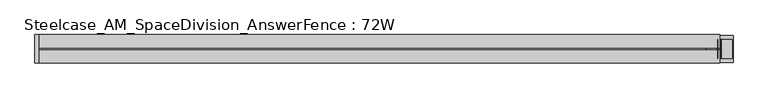
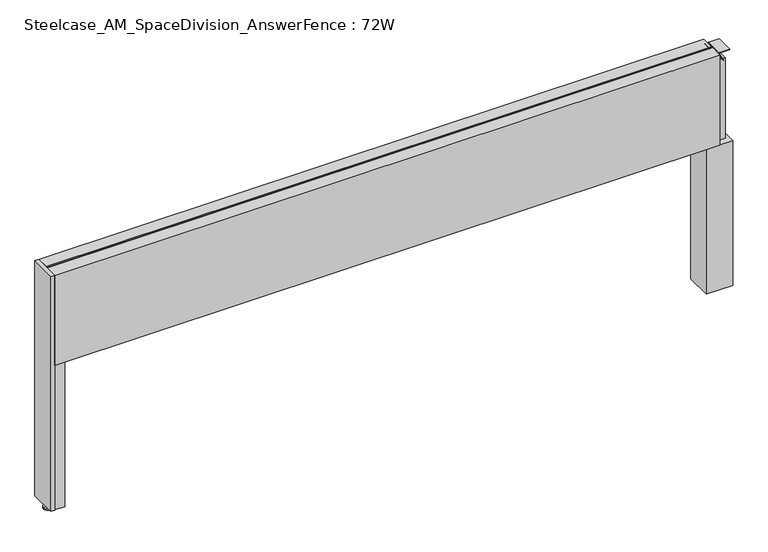
"""IFC4 building model written with IfcOpenShell, lengths in millimetres: furniture geometry, Steelcase_AM_SpaceDivision_AnswerFence : 72W."""

import ifcopenshell
import ifcopenshell.guid

model = None  # the IFC model being written
_history = None  # IfcOwnerHistory: only IFC2X3 demands one
_inside = {}  # id of a spatial element -> (the spatial element, [elements in it])
_under = {}  # id of a project, library or spatial element -> (it, [spatial elements below it])
_declared = {}  # id of a project -> (the project, [libraries it declares])
_typed = {}  # id of a type object -> (the type object, [elements of that type])
_made_of = {}  # id of a material, layer set ... -> (it, [elements and type objects made of it])


def new_model(schema):
    """Start an empty IFC model of exactly this schema.

    Asked for "IFC4X3", IfcOpenShell would pick the latest addendum, in which some entities
    have other attributes; the version numbers below select the first issue.
    IFC2X3 requires an IfcOwnerHistory on every rooted entity: one is made here for all.
    """
    global model, _history
    if schema == "IFC4X3":
        model = ifcopenshell.file(schema_version=(4, 3, 0, 0))
    else:
        model = ifcopenshell.file(schema=schema)
    _inside.clear()
    _under.clear()
    _declared.clear()
    _typed.clear()
    _made_of.clear()
    _history = None
    if model.schema == "IFC2X3":
        org = make("IfcOrganization", Name="unknown")
        user = make(
            "IfcPersonAndOrganization",
            ThePerson=make("IfcPerson", FamilyName="unknown"),
            TheOrganization=org,
        )
        app = make(
            "IfcApplication",
            ApplicationDeveloper=org,
            Version="unknown",
            ApplicationFullName="unknown",
            ApplicationIdentifier="unknown",
        )
        _history = make(
            "IfcOwnerHistory",
            OwningUser=user,
            OwningApplication=app,
            ChangeAction="ADDED",
            CreationDate=0,
        )
    return model


def make(cls, **values):
    """One entity of the class cls with the attributes given. An attribute that is None is left unset."""
    return model.create_entity(
        cls, **{name: value for name, value in values.items() if value is not None}
    )


def rooted(cls, **values):
    """An entity with a GlobalId (a new one), such as an element, a storey or a relation."""
    return make(cls, GlobalId=ifcopenshell.guid.new(), OwnerHistory=_history, **values)


def si_unit(unit_type, name, prefix=None):
    """IfcSIUnit, for example si_unit("LENGTHUNIT", "METRE", prefix="MILLI")."""
    return make("IfcSIUnit", UnitType=unit_type, Prefix=prefix, Name=name)


def assignment(units):
    """IfcUnitAssignment: the units of a project."""
    return None if units is None else make("IfcUnitAssignment", Units=units)


def point(xyz):
    """IfcCartesianPoint."""
    return None if xyz is None else make("IfcCartesianPoint", Coordinates=xyz)


def direction(xyz):
    """IfcDirection."""
    return None if xyz is None else make("IfcDirection", DirectionRatios=xyz)


def frame(location, z_axis=None, x_axis=None):
    """IfcAxis2Placement3D, a coordinate frame: its origin and axes. An axis left out is left unset."""
    return make(
        "IfcAxis2Placement3D",
        Location=point(location),
        Axis=direction(z_axis),
        RefDirection=direction(x_axis),
    )


def frame_2d(location, x_axis=None):
    """IfcAxis2Placement2D, a coordinate frame in the plane: its origin and x axis."""
    return make(
        "IfcAxis2Placement2D", Location=point(location), RefDirection=direction(x_axis)
    )


def origin():
    """The frame at (0, 0, 0) with its axes left unset."""
    return frame((0.0, 0.0, 0.0))


def place(relative_to, where):
    """IfcLocalPlacement: puts the frame where relative to a parent placement (None: the world)."""
    return make(
        "IfcLocalPlacement", PlacementRelTo=relative_to, RelativePlacement=where
    )


def context(
    kind, dimensions, precision=None, world=None, true_north=None, identifier=None
):
    """IfcGeometricRepresentationContext, for example the 3D "Model" context."""
    return make(
        "IfcGeometricRepresentationContext",
        ContextIdentifier=identifier,
        ContextType=kind,
        CoordinateSpaceDimension=dimensions,
        Precision=precision,
        WorldCoordinateSystem=world,
        TrueNorth=true_north,
    )


def project(units=None, contexts=None):
    """IfcProject with its units and contexts."""
    return rooted(
        "IfcProject",
        Name="project",
        RepresentationContexts=contexts,
        UnitsInContext=assignment(units),
    )


def spatial(cls, under=None, at=None, **own):
    """A site, building, storey or space (cls), placed at a placement, below another one or the project."""
    s = rooted(cls, ObjectPlacement=at, **own)
    if under is not None:
        _under.setdefault(under.id(), (under, []))[1].append(s)
    return s


def polyline(points):
    """IfcPolyline through the points."""
    return make("IfcPolyline", Points=[point(p) for p in points])


def circle_curve(where, radius):
    """IfcCircle in the frame where."""
    return make("IfcCircle", Position=where, Radius=radius)


def trimmed(basis, trim1, trim2, sense, master):
    """IfcTrimmedCurve: the piece of a basis curve between two trims."""
    return make(
        "IfcTrimmedCurve",
        BasisCurve=basis,
        Trim1=trim1,
        Trim2=trim2,
        SenseAgreement=sense,
        MasterRepresentation=master,
    )


def segment(curve, same_sense, transition):
    """IfcCompositeCurveSegment."""
    return make(
        "IfcCompositeCurveSegment",
        Transition=transition,
        SameSense=same_sense,
        ParentCurve=curve,
    )


def composite_curve(segments, self_intersect=None):
    """IfcCompositeCurve: segments joined end to end."""
    return make("IfcCompositeCurve", Segments=segments, SelfIntersect=self_intersect)


def outline(outer, holes=None, kind="AREA"):
    """IfcArbitraryClosedProfileDef: a profile drawn as a closed curve; with holes, ...WithVoids."""
    if holes is None:
        return make("IfcArbitraryClosedProfileDef", ProfileType=kind, OuterCurve=outer)
    return make(
        "IfcArbitraryProfileDefWithVoids",
        ProfileType=kind,
        OuterCurve=outer,
        InnerCurves=holes,
    )


def extrude(swept, where, along, depth):
    """IfcExtrudedAreaSolid: the profile swept, set in the frame where, extruded along a direction by depth."""
    return make(
        "IfcExtrudedAreaSolid",
        SweptArea=swept,
        Position=where,
        ExtrudedDirection=direction(along),
        Depth=depth,
    )


def shape(context_of_items, identifier, shape_type, items):
    """IfcShapeRepresentation: the items that make up one representation, for example the "Body"."""
    return make(
        "IfcShapeRepresentation",
        ContextOfItems=context_of_items,
        RepresentationIdentifier=identifier,
        RepresentationType=shape_type,
        Items=items,
    )


def source(mapping_origin, context_of_items, identifier, shape_type, items):
    """IfcRepresentationMap: a shape defined once, which mapped items show again and again."""
    return make(
        "IfcRepresentationMap",
        MappingOrigin=mapping_origin,
        MappedRepresentation=shape(context_of_items, identifier, shape_type, items),
    )


def transform(
    local_origin,
    x_axis=None,
    y_axis=None,
    z_axis=None,
    scale=None,
    scale2=None,
    scale3=None,
    uniform=True,
):
    """IfcCartesianTransformationOperator3D, or its non-uniform kind. x_axis, y_axis, z_axis: its Axis1, 2, 3."""
    if uniform:
        return make(
            "IfcCartesianTransformationOperator3D",
            Axis1=direction(x_axis),
            Axis2=direction(y_axis),
            LocalOrigin=point(local_origin),
            Scale=scale,
            Axis3=direction(z_axis),
        )
    return make(
        "IfcCartesianTransformationOperator3DnonUniform",
        Axis1=direction(x_axis),
        Axis2=direction(y_axis),
        LocalOrigin=point(local_origin),
        Scale=scale,
        Axis3=direction(z_axis),
        Scale2=scale2,
        Scale3=scale3,
    )


def mapped(mapping_source, mapping_target):
    """IfcMappedItem: shows the shape of a source again, moved by a transform."""
    return make(
        "IfcMappedItem", MappingSource=mapping_source, MappingTarget=mapping_target
    )


def made_of(thing, what):
    """Note that an element or type object is made of a material, layer set ...; save() writes the relation."""
    if what is not None:
        _made_of.setdefault(what.id(), (what, []))[1].append(thing)
    return thing


def element(
    cls,
    number,
    at=None,
    inside=None,
    cuts=None,
    type_object=None,
    material=None,
    context=None,
    identifier="Body",
    shape_type=None,
    held_by="IfcProductDefinitionShape",
    body=None,
    shapes=None,
    **own,
):
    """One element of the class cls, such as IfcWall. Its Tag is "e" and its number.

    at: its placement. inside: the storey or other place that contains it. cuts: it is an
    opening in that element (IfcRelVoidsElement). A single representation is given by context,
    identifier, shape_type and body (its items); several are given by shapes. held_by: the class
    of the entity that holds the representations. save() writes the other relations.
    """
    e = rooted(cls, Tag="e%d" % number, ObjectPlacement=at, **own)
    if body is not None:
        shapes = [shape(context, identifier, shape_type, body)]
    if shapes is not None:
        e.Representation = make(held_by, Representations=shapes)
    if inside is not None:
        _inside.setdefault(inside.id(), (inside, []))[1].append(e)
    if cuts is not None:
        rooted(
            "IfcRelVoidsElement", RelatingBuildingElement=cuts, RelatedOpeningElement=e
        )
    if type_object is not None:
        _typed.setdefault(type_object.id(), (type_object, []))[1].append(e)
    return made_of(e, material)


def aggregate(whole, parts):
    """IfcRelAggregates: a whole, such as a stair, and the parts it consists of."""
    return rooted("IfcRelAggregates", RelatingObject=whole, RelatedObjects=parts)


def save(model, path):
    """Write the relations noted so far, then the file.

    IfcRelAggregates (storeys below a building ...), IfcRelContainedInSpatialStructure (elements
    in a storey), IfcRelDefinesByType, IfcRelAssociatesMaterial and IfcRelDeclares: one each for
    every whole, place, type object, material and project.
    """
    for whole, parts in _under.values():
        aggregate(whole, parts)
    for where, things in _inside.values():
        rooted(
            "IfcRelContainedInSpatialStructure",
            RelatedElements=things,
            RelatingStructure=where,
        )
    for kind, things in _typed.values():
        rooted("IfcRelDefinesByType", RelatedObjects=things, RelatingType=kind)
    for what, things in _made_of.values():
        rooted("IfcRelAssociatesMaterial", RelatedObjects=things, RelatingMaterial=what)
    for by, libraries in _declared.values():
        rooted("IfcRelDeclares", RelatingContext=by, RelatedDefinitions=libraries)
    model.write(path)


def plane_surface(at):
    """IfcPlane: the flat surface through the origin of the frame at, square to its z axis."""
    return make("IfcPlane", Position=at)


def cylinder_surface(at, radius):
    """IfcCylindricalSurface: all points at the distance radius from the z axis of the frame at."""
    return make("IfcCylindricalSurface", Position=at, Radius=radius)


def revolved_surface(curve, axis_point, axis_direction):
    """IfcSurfaceOfRevolution: the curve turned about the line through axis_point along axis_direction."""
    return make(
        "IfcSurfaceOfRevolution",
        SweptCurve=make("IfcArbitraryOpenProfileDef", ProfileType="CURVE", Curve=curve),
        AxisPosition=make("IfcAxis1Placement", Location=point(axis_point), Axis=direction(axis_direction)),
    )


def advanced_brep(points, edges, surfaces, faces):
    """IfcAdvancedBrep: a solid bounded by faces that lie on surfaces and meet in shared edges.

    An edge is (start, end): straight between two places in points (the first is 0);
    or (start, end, curve); or (start, end, curve, False) where it runs against its curve.
    A face is (place in surfaces, loops), or (place, loops, False) where it looks against
    its surface's normal. A loop lists edges by number (the first is 1), with a minus sign
    where the edge is run from its end to its start. The first loop is the outer one.
    """
    corners = [point(p) for p in points]
    vertices = [make("IfcVertexPoint", VertexGeometry=c) for c in corners]
    made = []
    for start, end, *more in edges:
        made.append(
            make(
                "IfcEdgeCurve",
                EdgeStart=vertices[start],
                EdgeEnd=vertices[end],
                EdgeGeometry=more[0] if more else make("IfcPolyline", Points=[corners[start], corners[end]]),
                SameSense=more[1] if len(more) > 1 else True,
            )
        )
    hull = []
    for where, loops, *sense in faces:
        bounds = []
        for j, loop in enumerate(loops):
            ring = [make("IfcOrientedEdge", EdgeElement=made[abs(k) - 1], Orientation=k > 0) for k in loop]
            bounds.append(
                make(
                    "IfcFaceOuterBound" if j == 0 else "IfcFaceBound",
                    Bound=make("IfcEdgeLoop", EdgeList=ring),
                    Orientation=True,
                )
            )
        hull.append(make("IfcAdvancedFace", Bounds=bounds, FaceSurface=surfaces[where], SameSense=sense[0] if sense else True))
    return make("IfcAdvancedBrep", Outer=make("IfcClosedShell", CfsFaces=hull))


def steelcase_am_spacedivision_answerfence_72w_683bb32d(model_context):
    return source(origin(), model_context, "Body", "SolidModel", [
        extrude(outline(polyline([(1825.0153999, 28.9756526), (1825.0153999, -43.7191471), (1752.3206001, -43.7191471), (1752.3206001, 28.9756526), (1825.0153999, 28.9756526)])), frame((0.0, 0.0, 15.4939671), z_axis=(0.0, 0.0, 1.0), x_axis=(1.0, 0.0, 0.0)), (0.0, 0.0, 1.0), 420.9763759),
        extrude(outline(composite_curve([segment(polyline([(694.8271015, 1753.5942703), (694.8271015, 1782.4823183)]), True, "CONTINUOUS"), segment(trimmed(circle_curve(frame_2d((693.8373834, 1782.4823183)), 0.9897181), [point((694.8271015, 1782.4823183))], [point((693.3575585, 1783.3479452))], True, "CARTESIAN"), True, "CONTINUOUS"), segment(polyline([(693.3575585, 1783.3479452), (670.7684479, 1770.8265967), (670.3405135, 1771.5983685), (693.0018984, 1784.1637221)]), True, "CONTINUOUS"), segment(trimmed(circle_curve(frame_2d((693.8919079, 1782.5586063)), 1.8353511), [point((693.0018984, 1784.1637221))], [point((695.7272589, 1782.5586063))], False, "CARTESIAN"), True, "CONTINUOUS"), segment(polyline([(695.7272589, 1782.5586063), (695.7272589, 1753.5942703), (694.8271015, 1753.5942703)]), True, "CONTINUOUS")], self_intersect=False)), frame((0.0, -33.0896971, 0.0), z_axis=(0.0, 1.0, 0.0), x_axis=(0.0, 0.0, 1.0)), (0.0, 0.0, 1.0), 50.8000666),
        extrude(outline(composite_curve([segment(polyline([(694.8271015, 1823.3448547), (695.7272589, 1823.3448547), (695.7272589, 1794.3805187)]), True, "CONTINUOUS"), segment(trimmed(circle_curve(frame_2d((693.8919079, 1794.3805187)), 1.8353511), [point((695.7272589, 1794.3805187))], [point((693.0018984, 1792.7754029))], False, "CARTESIAN"), True, "CONTINUOUS"), segment(polyline([(693.0018984, 1792.7754029), (670.3405135, 1805.3407565), (670.7684479, 1806.1125283), (693.3575585, 1793.5911798)]), True, "CONTINUOUS"), segment(trimmed(circle_curve(frame_2d((693.8373834, 1794.4568067)), 0.9897181), [point((693.3575585, 1793.5911798))], [point((694.8271015, 1794.4568067))], True, "CARTESIAN"), True, "CONTINUOUS"), segment(polyline([(694.8271015, 1794.4568067), (694.8271015, 1823.3448547)]), True, "CONTINUOUS")], self_intersect=False)), frame((0.0, -33.0896971, 0.0), z_axis=(0.0, 1.0, 0.0), x_axis=(0.0, 0.0, 1.0)), (0.0, 0.0, 1.0), 50.8000666),
        extrude(outline(polyline([(1813.9938496, 11.3543833), (1813.9938496, -26.7337081), (1763.1938496, -26.7337081), (1763.1938496, 11.3543833), (1813.9938496, 11.3543833)])), frame((0.0, 0.0, 436.470343), z_axis=(0.0, 0.0, 1.0), x_axis=(1.0, 0.0, 0.0)), (0.0, 0.0, 1.0), 233.7346385),
        advanced_brep(
        [(-47.4460299, -7.4168014, -3.29e-05), (-21.9950726, -7.4168014, -3.29e-05), (-34.7205512, -7.4168014, -3.29e-05), (-47.4460299, -7.4168014, 2.446593), (-21.9950726, -7.4168014, 2.446593), (-39.6754775, -7.4168014, 4.8561413), (-29.765625, -7.4168014, 4.8561413), (-38.5932872, -7.4168014, 4.8561413), (-30.8478153, -7.4168014, 4.8561413), (-38.5932872, -7.4168014, 15.4939671), (-30.8478153, -7.4168014, 15.4939671), (-34.7205512, -7.4168014, 15.4939671)],
        [
            (0, 1, circle_curve(frame((-34.7205512, -7.4168014, -3.29e-05), z_axis=(0.0, 0.0, -1.0), x_axis=(1.0, 0.0, 0.0)), 12.7254787)),
            (1, 2),
            (2, 0),
            (1, 0, circle_curve(frame((-34.7205512, -7.4168014, -3.29e-05), z_axis=(0.0, 0.0, -1.0), x_axis=(1.0, 0.0, 0.0)), 12.7254787)),
            (3, 4, circle_curve(frame((-34.7205512, -7.4168014, 2.446593), z_axis=(0.0, 0.0, -1.0), x_axis=(1.0, 0.0, 0.0)), 12.7254787)),
            (4, 1),
            (0, 3),
            (4, 3, circle_curve(frame((-34.7205512, -7.4168014, 2.446593), z_axis=(0.0, 0.0, -1.0), x_axis=(1.0, 0.0, 0.0)), 12.7254787)),
            (5, 6, circle_curve(frame((-34.7205512, -7.4168014, 4.8561413), z_axis=(0.0, 0.0, -1.0), x_axis=(1.0, 0.0, 0.0)), 4.9549262)),
            (6, 4),
            (3, 5),
            (6, 5, circle_curve(frame((-34.7205512, -7.4168014, 4.8561413), z_axis=(0.0, 0.0, -1.0), x_axis=(1.0, 0.0, 0.0)), 4.9549262)),
            (7, 8, circle_curve(frame((-34.7205512, -7.4168014, 4.8561413), z_axis=(0.0, 0.0, -1.0), x_axis=(1.0, 0.0, 0.0)), 3.8727359)),
            (8, 6),
            (5, 7),
            (8, 7, circle_curve(frame((-34.7205512, -7.4168014, 4.8561413), z_axis=(0.0, 0.0, -1.0), x_axis=(1.0, 0.0, 0.0)), 3.8727359)),
            (9, 10, circle_curve(frame((-34.7205512, -7.4168014, 15.4939671), z_axis=(0.0, 0.0, -1.0), x_axis=(1.0, 0.0, 0.0)), 3.8727359)),
            (10, 8),
            (7, 9),
            (10, 9, circle_curve(frame((-34.7205512, -7.4168014, 15.4939671), z_axis=(0.0, 0.0, -1.0), x_axis=(1.0, 0.0, 0.0)), 3.8727359)),
            (11, 10),
            (9, 11),
        ],
        [
            plane_surface(frame((-34.7205512, -7.4168014, -3.29e-05), z_axis=(0.0, 0.0, -1.0), x_axis=(1.0, 0.0, 0.0))),
            cylinder_surface(frame((-34.7205512, -7.4168014, -1.135133), z_axis=(0.0, 0.0, 1.0), x_axis=(1.0, 0.0, 0.0)), 12.7254787),
            revolved_surface(polyline([(-21.9950726, -7.4168014, 2.446593), (-29.765625, -7.4168014, 4.8561413)]), (-34.7205512, -7.4168014, -1.135133), (0.0, 0.0, 1.0)),
            plane_surface(frame((-34.7205512, -7.4168014, 4.8561413), z_axis=(0.0, 0.0, 1.0), x_axis=(1.0, 0.0, 0.0))),
            cylinder_surface(frame((-34.7205512, -7.4168014, -1.135133), z_axis=(0.0, 0.0, 1.0), x_axis=(1.0, 0.0, 0.0)), 3.8727359),
            plane_surface(frame((-34.7205512, -7.4168014, 15.4939671), z_axis=(0.0, 0.0, 1.0), x_axis=(1.0, 0.0, 0.0))),
        ],
        [
            (0, [[1, 2, 3]]),
            (0, [[4, -3, -2]]),
            (1, [[5, 6, -1, 7]]),
            (1, [[8, -7, -4, -6]]),
            (2, [[9, 10, -5, 11]]),
            (2, [[12, -11, -8, -10]]),
            (3, [[13, 14, -9, 15]]),
            (3, [[16, -15, -12, -14]]),
            (4, [[17, 18, -13, 19]]),
            (4, [[20, -19, -16, -18]]),
            (5, [[21, -17, 22]]),
            (5, [[-22, -20, -21]]),
        ],
    ),
        extrude(outline(polyline([(-9.935178, -43.8092555), (-38.0832543, -43.8092555), (-38.0832543, -32.7724836), (-20.8608215, -32.7724836), (-20.8608215, 18.0275164), (-38.0701573, 18.0275164), (-38.0701573, 28.8855443), (-9.935178, 28.8855443), (-9.935178, -43.8092555)])), frame((0.0, 0.0, 15.4939671), z_axis=(0.0, 0.0, 1.0), x_axis=(1.0, 0.0, 0.0)), (0.0, 0.0, 1.0), 420.9763759),
        extrude(outline(polyline([(-48.2664464, -45.5635028), (-48.2664464, 30.7299), (-38.1, 30.7299), (-38.1, -45.5635028), (-48.2664464, -45.5635028)])), frame((0.0, 0.0, 15.4939671), z_axis=(0.0, 0.0, 1.0), x_axis=(1.0, 0.0, 0.0)), (0.0, 0.0, 1.0), 683.006),
        extrude(outline(polyline([(30.6507456, 698.5), (30.6507456, 436.470343), (-45.5168014, 436.470343), (-45.5168014, 698.5), (-10.7419756, 698.5), (-10.7419756, 695.721875), (-4.4428302, 695.721875), (-4.4428302, 698.5), (30.6507456, 698.5)])), frame((-38.1, 0.0, 0.0), z_axis=(1.0, 0.0, 0.0), x_axis=(0.0, 1.0, 0.0)), (0.0, 0.0, 1.0), 1826.768),
    ])


if __name__ == "__main__":
    model = new_model("IFC4")
    model_context = context("Model", 3, world=origin())
    ifc_project = project(units=[si_unit("LENGTHUNIT", "METRE", prefix="MILLI")], contexts=[model_context])
    site = spatial("IfcSite", under=ifc_project)
    building = spatial("IfcBuilding", under=site)
    placement = place(None, origin())
    steelcase_am_spacedivision_answerfence_72w_shape = steelcase_am_spacedivision_answerfence_72w_683bb32d(model_context)
    element("IfcFurniture", 1, ObjectType="Steelcase_AM_SpaceDivision_AnswerFence : 72W", at=placement, inside=building, context=model_context, shape_type="MappedRepresentation", body=[
        mapped(steelcase_am_spacedivision_answerfence_72w_shape, transform((0.0, 0.0, 0.0), x_axis=(1.0, 0.0, 0.0), y_axis=(0.0, 1.0, 0.0), z_axis=(0.0, 0.0, 1.0))),
    ])
    save(model, "model.ifc")
